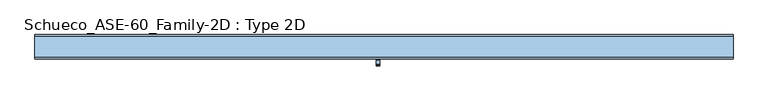
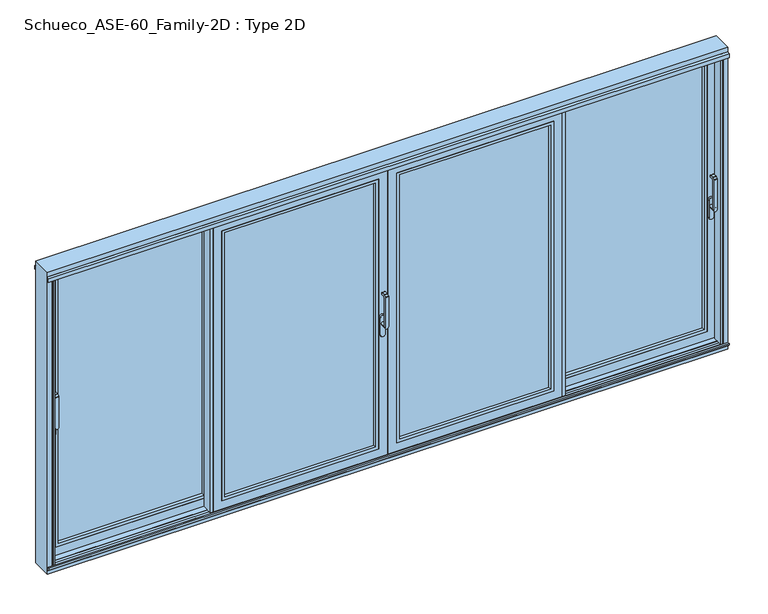
"""IFC4 building model written with IfcOpenShell, lengths in millimetres: window geometry, Schueco_ASE-60_Family-2D : Type 2D."""

from ifc_helpers import new_model, si_unit, point, frame, frame_2d, origin, origin_with_axes, place, context, project, spatial, polyline, circle_curve, trimmed, segment, composite_curve, outline, extrude, faceted_brep, source, transform, mapped, element, save
from ifc_brep_helpers import plane_surface, cylinder_surface, revolved_surface, advanced_brep


def schueco_ase_60_family_2d_type_2d_c7365fcc(model_context):
    return source(origin(), model_context, "Body", "SolidModel", [
        advanced_brep(
        [(-30.25, -121.9999695, 999.0), (-30.25, -121.9999695, 1224.2360009), (-54.25, -121.9999695, 1224.2360009), (-54.25, -121.9999695, 999.0), (-30.25, -73.9999695, 999.005052), (-54.25, -73.9999695, 999.005052), (-54.25, -109.9999695, 999.005052), (-30.25, -109.9999695, 999.005052), (-54.25, -121.414183, 1225.6502145), (-54.25, -110.6501229, 1236.4142746), (-54.25, -109.2359094, 1237.000061), (-54.25, -81.9999695, 1237.000061), (-54.25, -79.9999695, 1235.000061), (-54.25, -79.9999695, 1224.000061), (-54.25, -81.9999695, 1222.000061), (-54.25, -102.6493095, 1222.000061), (-54.25, -109.9999695, 1214.6494011), (-30.25, -109.9999695, 1214.6494011), (-30.25, -102.6493095, 1222.000061), (-30.25, -81.9999695, 1222.000061), (-30.25, -79.9999695, 1224.000061), (-30.25, -79.9999695, 1235.000061), (-30.25, -81.9999695, 1237.000061), (-30.25, -109.2359094, 1237.000061), (-30.25, -110.6501229, 1236.4142746), (-30.25, -121.414183, 1225.6502145)],
        [
            (0, 1),
            (1, 2),
            (2, 3),
            (3, 0, circle_curve(frame((-42.25, -121.9999695, 999.005052), z_axis=(0.0, -1.0, 0.0), x_axis=(-1.0000000000000009, 0.0, 0.0)), 12.0)),
            (4, 5, circle_curve(frame((-42.25, -73.9999695, 999.005052), z_axis=(0.0, 1.0, 0.0), x_axis=(-1.0000000000000009, 0.0, 0.0)), 12.0)),
            (5, 4, circle_curve(frame((-42.25, -73.9999695, 999.005052), z_axis=(0.0, 1.0, 0.0), x_axis=(-1.0000000000000009, 0.0, 0.0)), 12.0)),
            (3, 6),
            (6, 5),
            (4, 7),
            (7, 0),
            (6, 7, circle_curve(frame((-42.25, -109.9999695, 999.005052), z_axis=(0.0, 1.0, 0.0), x_axis=(-1.0000000000000009, 0.0, 0.0)), 12.0)),
            (2, 8, circle_curve(frame((-54.25, -119.9999695, 1224.2360009), z_axis=(-1.0, 0.0, 0.0), x_axis=(0.0, 0.0, -1.0)), 2.0)),
            (8, 9),
            (9, 10, circle_curve(frame((-54.25, -109.2359094, 1235.000061), z_axis=(-1.0, 0.0, 0.0), x_axis=(0.0, 0.0, -1.0)), 2.0)),
            (10, 11),
            (11, 12, circle_curve(frame((-54.25, -81.9999695, 1235.000061), z_axis=(-1.0, 0.0, 0.0), x_axis=(0.0, 0.0, -1.0)), 2.0)),
            (12, 13),
            (13, 14, circle_curve(frame((-54.25, -81.9999695, 1224.000061), z_axis=(-1.0, 0.0, 0.0), x_axis=(0.0, 0.0, -1.0)), 2.0)),
            (14, 15),
            (15, 16, circle_curve(frame((-54.25, -102.6493095, 1214.6494011), z_axis=(1.0, 0.0, 0.0), x_axis=(0.0, 0.0, -1.0)), 7.35066)),
            (16, 6),
            (7, 17),
            (17, 18, circle_curve(frame((-30.25, -102.6493095, 1214.6494011), z_axis=(-1.0, 0.0, 0.0), x_axis=(0.0, 0.0, -1.0)), 7.35066)),
            (18, 19),
            (19, 20, circle_curve(frame((-30.25, -81.9999695, 1224.000061), z_axis=(1.0, 0.0, 0.0), x_axis=(0.0, 0.0, -1.0)), 2.0)),
            (20, 21),
            (21, 22, circle_curve(frame((-30.25, -81.9999695, 1235.000061), z_axis=(1.0, 0.0, 0.0), x_axis=(0.0, 0.0, -1.0)), 2.0)),
            (22, 23),
            (23, 24, circle_curve(frame((-30.25, -109.2359094, 1235.000061), z_axis=(1.0, 0.0, 0.0), x_axis=(0.0, 0.0, -1.0)), 2.0)),
            (24, 25),
            (25, 1, circle_curve(frame((-30.25, -119.9999695, 1224.2360009), z_axis=(1.0, 0.0, 0.0), x_axis=(0.0, 0.0, -1.0)), 2.0)),
            (16, 17),
            (15, 18),
            (14, 19),
            (13, 20),
            (12, 21),
            (11, 22),
            (10, 23),
            (9, 24),
            (8, 25),
        ],
        [
            plane_surface(frame((-54.25, -121.9999695, 999.005052), z_axis=(0.0, -1.0, 0.0), x_axis=(0.0, 0.0, 1.0))),
            plane_surface(frame((-54.25, -73.9999695, 999.005052), z_axis=(0.0, 1.0, 0.0), x_axis=(0.0, 0.0, -1.0))),
            cylinder_surface(frame((-42.25, -73.9999695, 999.005052), z_axis=(0.0, -1.0000000000000009, 0.0), x_axis=(-1.0000000000000009, 0.0, 0.0)), 12.0),
            plane_surface(frame((-54.25, -121.9999695, 1004.7503433), z_axis=(-1.0, 0.0, 0.0), x_axis=(0.0, 0.0, -1.0))),
            plane_surface(frame((-30.25, -121.9999695, 1004.7503433), z_axis=(1.0, 0.0, 0.0), x_axis=(0.0, 0.0, 1.0))),
            plane_surface(frame((-54.25, -109.9999695, 999.0), z_axis=(0.0, 1.0, 0.0), x_axis=(1.0, 0.0, 0.0))),
            revolved_surface(polyline([(-30.25, -102.6493095, 1207.2987411), (-54.25000000000004, -102.6493095, 1207.2987411)]), (-30.25, -102.6493095, 1214.6494011), (1.0000000000000009, 0.0, 0.0)),
            plane_surface(frame((-54.25, -102.6493095, 1222.000061), z_axis=(0.0, 0.0, -1.0), x_axis=(1.0, 0.0, 0.0))),
            cylinder_surface(frame((-30.25, -81.9999695, 1224.000061), z_axis=(-1.0000000000000009, 0.0, 0.0), x_axis=(0.0, 0.0, -1.0)), 2.0),
            plane_surface(frame((-54.25, -79.9999695, 1224.000061), z_axis=(0.0, 1.0, 0.0), x_axis=(1.0, 0.0, 0.0))),
            cylinder_surface(frame((-30.25, -81.9999695, 1235.000061), z_axis=(-1.0000000000000009, 0.0, 0.0), x_axis=(0.0, 0.0, -1.0)), 2.0),
            plane_surface(frame((-54.25, -81.9999695, 1237.000061), z_axis=(0.0, 0.0, 1.0), x_axis=(1.0, 0.0, 0.0))),
            cylinder_surface(frame((-30.25, -109.2359094, 1235.000061), z_axis=(-1.0000000000000009, 0.0, 0.0), x_axis=(0.0, 0.0, -1.0)), 2.0),
            plane_surface(frame((-54.25, -110.6501229, 1236.4142746), z_axis=(0.0, -0.7071067811865419, 0.7071067811865531), x_axis=(1.0, 0.0, 0.0))),
            cylinder_surface(frame((-30.25, -119.9999695, 1224.2360009), z_axis=(-1.0000000000000009, 0.0, 0.0), x_axis=(0.0, 0.0, -1.0)), 2.0),
        ],
        [
            (0, [[1, 2, 3, 4]]),
            (1, [[5, 6]]),
            (2, [[7, 8, -5, 9, 10, -4]]),
            (2, [[-8, 11, -9, -6]]),
            (3, [[12, 13, 14, 15, 16, 17, 18, 19, 20, 21, -7, -3]]),
            (4, [[-1, -10, 22, 23, 24, 25, 26, 27, 28, 29, 30, 31]]),
            (5, [[32, -22, -11, -21]]),
            (6, [[33, -23, -32, -20]]),
            (7, [[34, -24, -33, -19]]),
            (8, [[35, -25, -34, -18]]),
            (9, [[36, -26, -35, -17]]),
            (10, [[37, -27, -36, -16]]),
            (11, [[38, -28, -37, -15]]),
            (12, [[39, -29, -38, -14]]),
            (13, [[40, -30, -39, -13]]),
            (14, [[-2, -31, -40, -12]]),
        ],
    ),
        extrude(outline(composite_curve([segment(polyline([(917.2823932, -25.5), (1044.0099288, -25.5)]), True, "CONTINUOUS"), segment(trimmed(circle_curve(frame_2d((1044.0099288, -42.25)), 16.75), [point((1044.0099288, -25.5))], [point((1044.0099288, -59.0))], False, "CARTESIAN"), True, "CONTINUOUS"), segment(polyline([(1044.0099288, -59.0), (917.2823932, -59.0)]), True, "CONTINUOUS"), segment(trimmed(circle_curve(frame_2d((917.2823932, -42.25)), 16.75), [point((917.2823932, -59.0))], [point((917.2823932, -25.5))], False, "CARTESIAN"), True, "CONTINUOUS")], self_intersect=False)), frame((0.0, -73.9999695, 0.0), z_axis=(0.0, 1.0, 0.0), x_axis=(0.0, 0.0, 1.0)), (0.0, 0.0, 1.0), 13.9999695),
        extrude(outline(polyline([(-1194.9983764, 15.9999745), (-1194.9983764, -2.55e-05), (-1242.1999044, -2.55e-05), (-1242.1999044, -54.5), (-1226.0, -54.5), (-1226.0, -60.0), (-1245.9999695, -60.0), (-1245.9999695, 15.9999745), (-1194.9983764, 15.9999745)])), frame((0.0, 0.0, 4.0), z_axis=(0.0, 0.0, 1.0), x_axis=(1.0, 0.0, 0.0)), (0.0, 0.0, 1.0), 2127.0),
        extrude(outline(polyline([(2071.0, -64.0), (2071.0, -1166.0), (64.0, -1166.0), (64.0, -64.0), (2071.0, -64.0)]), holes=[polyline([(2048.987351, -1143.987351), (2048.987351, -86.012649), (86.012649, -86.012649), (86.012649, -1143.987351), (2048.987351, -1143.987351)])]), frame((0.0, -60.0, 0.0), z_axis=(0.0, 1.0, 0.0), x_axis=(0.0, 0.0, 1.0)), (0.0, 0.0, 1.0), 22.9999656),
        extrude(outline(polyline([(-64.0, -11.0000344), (-64.0, -37.0000344), (-1166.0, -37.0000344), (-1166.0, -11.0000344), (-64.0, -11.0000344)])), frame((0.0, 0.0, 64.0), z_axis=(0.0, 0.0, 1.0), x_axis=(1.0, 0.0, 0.0)), (0.0, 0.0, 1.0), 2007.0),
        faceted_brep([(-1144.0, -11.0000344, 2049.0), (-1144.0, -11.0000344, 86.0), (-1144.0, -2.55e-05, 86.0), (-1144.0, -2.55e-05, 2049.0), (-1226.0017184, -2.55e-05, 2131.0017184), (-3.9982816, -2.55e-05, 2131.0017184), (-3.9982816, -2.55e-05, 3.9982816), (-1226.0017184, -2.55e-05, 3.9982816), (-86.0, -2.55e-05, 2049.0), (-86.0, -2.55e-05, 86.0), (-86.0, -11.0000344, 86.0), (-64.0, -11.0000344, 2071.0), (-1166.0, -11.0000344, 2071.0), (-1166.0, -11.0000344, 64.0), (-64.0, -11.0000344, 64.0), (-86.0, -11.0000344, 2049.0), (-1166.0, -60.0, 2071.0), (-1166.0, -60.0, 64.0), (-64.0, -60.0, 64.0), (-4.0, -60.0, 2131.0), (-1226.0, -60.0, 2131.0), (-1226.0, -60.0, 4.0), (-4.0, -60.0, 4.0), (-64.0, -60.0, 2071.0), (-1226.0, -54.5, 2131.0), (-1226.0, -54.5, 4.0), (-4.0, -54.5, 4.0), (-4.0, -54.5, 2131.0), (-34.0, -54.5, 2101.0), (-1196.0, -54.5, 2101.0), (-1196.0, -54.5, 34.0), (-34.0, -54.5, 34.0), (-1196.0, -5.4999923, 2101.0), (-1196.0, -5.4999923, 34.0), (-34.0, -5.4999923, 34.0), (-3.9982816, -5.4999923, 2131.0017184), (-1226.0017184, -5.4999923, 2131.0017184), (-1226.0017184, -5.4999923, 3.9982816), (-3.9982816, -5.4999923, 3.9982816), (-34.0, -5.4999923, 2101.0)], [[[0, 1, 2, 3]], [[4, 5, 6, 7], [8, 3, 2, 9]], [[1, 10, 9, 2]], [[11, 12, 13, 14], [0, 15, 10, 1]], [[16, 17, 13, 12]], [[17, 18, 14, 13]], [[19, 20, 21, 22], [16, 23, 18, 17]], [[24, 25, 21, 20]], [[25, 26, 22, 21]], [[24, 27, 26, 25], [28, 29, 30, 31]], [[32, 33, 30, 29]], [[33, 34, 31, 30]], [[35, 36, 37, 38], [32, 39, 34, 33]], [[4, 7, 37, 36]], [[7, 6, 38, 37]], [[10, 15, 8, 9]], [[18, 23, 11, 14]], [[26, 27, 19, 22]], [[34, 39, 28, 31]], [[6, 5, 35, 38]], [[15, 0, 3, 8]], [[23, 16, 12, 11]], [[27, 24, 20, 19]], [[39, 32, 29, 28]], [[5, 4, 36, 35]]]),
        extrude(outline(polyline([(-12.2016228, -54.5), (-12.2016228, -5.5000255), (34.0, -5.5000255), (34.0, -54.5), (-12.2016228, -54.5)])), frame((0.0, 0.0, 34.0), z_axis=(0.0, 0.0, 1.0), x_axis=(1.0, 0.0, 0.0)), (0.0, 0.0, 1.0), 2067.0),
        extrude(outline(polyline([(1194.9983764, 15.9999745), (1245.9999695, 15.9999745), (1245.9999695, -60.0), (1226.0, -60.0), (1226.0, -54.5), (1242.1999044, -54.5), (1242.1999044, -2.55e-05), (1194.9983764, -2.55e-05), (1194.9983764, 15.9999745)])), frame((0.0, 0.0, 4.0), z_axis=(0.0, 0.0, 1.0), x_axis=(1.0, 0.0, 0.0)), (0.0, 0.0, 1.0), 2127.0),
        extrude(outline(polyline([(2071.0, 64.0), (64.0, 64.0), (64.0, 1166.0), (2071.0, 1166.0), (2071.0, 64.0)]), holes=[polyline([(2048.987351, 1143.987351), (86.012649, 1143.987351), (86.012649, 86.012649), (2048.987351, 86.012649), (2048.987351, 1143.987351)])]), frame((0.0, -60.0, 0.0), z_axis=(0.0, 1.0, 0.0), x_axis=(0.0, 0.0, 1.0)), (0.0, 0.0, 1.0), 22.9999656),
        extrude(outline(polyline([(64.0, -11.0000344), (1166.0, -11.0000344), (1166.0, -37.0000344), (64.0, -37.0000344), (64.0, -11.0000344)])), frame((0.0, 0.0, 64.0), z_axis=(0.0, 0.0, 1.0), x_axis=(1.0, 0.0, 0.0)), (0.0, 0.0, 1.0), 2007.0),
        faceted_brep([(1144.0, -11.0000344, 2049.0), (1144.0, -2.55e-05, 2049.0), (1144.0, -2.55e-05, 86.0), (1144.0, -11.0000344, 86.0), (1226.0017184, -2.55e-05, 2131.0017184), (1226.0017184, -2.55e-05, 3.9982816), (3.9982816, -2.55e-05, 3.9982816), (3.9982816, -2.55e-05, 2131.0017184), (86.0, -2.55e-05, 2049.0), (86.0, -2.55e-05, 86.0), (86.0, -11.0000344, 86.0), (64.0, -11.0000344, 2071.0), (64.0, -11.0000344, 64.0), (1166.0, -11.0000344, 64.0), (1166.0, -11.0000344, 2071.0), (86.0, -11.0000344, 2049.0), (1166.0, -60.0, 2071.0), (1166.0, -60.0, 64.0), (64.0, -60.0, 64.0), (4.0, -60.0, 2131.0), (4.0, -60.0, 4.0), (1226.0, -60.0, 4.0), (1226.0, -60.0, 2131.0), (64.0, -60.0, 2071.0), (1226.0, -54.5, 2131.0), (1226.0, -54.5, 4.0), (4.0, -54.5, 4.0), (4.0, -54.5, 2131.0), (34.0, -54.5, 2101.0), (34.0, -54.5, 34.0), (1196.0, -54.5, 34.0), (1196.0, -54.5, 2101.0), (1196.0, -5.4999923, 2101.0), (1196.0, -5.4999923, 34.0), (34.0, -5.4999923, 34.0), (3.9982816, -5.4999923, 2131.0017184), (3.9982816, -5.4999923, 3.9982816), (1226.0017184, -5.4999923, 3.9982816), (1226.0017184, -5.4999923, 2131.0017184), (34.0, -5.4999923, 2101.0)], [[[0, 1, 2, 3]], [[4, 5, 6, 7], [8, 9, 2, 1]], [[3, 2, 9, 10]], [[11, 12, 13, 14], [0, 3, 10, 15]], [[16, 14, 13, 17]], [[17, 13, 12, 18]], [[19, 20, 21, 22], [16, 17, 18, 23]], [[24, 22, 21, 25]], [[25, 21, 20, 26]], [[24, 25, 26, 27], [28, 29, 30, 31]], [[32, 31, 30, 33]], [[33, 30, 29, 34]], [[35, 36, 37, 38], [32, 33, 34, 39]], [[4, 38, 37, 5]], [[5, 37, 36, 6]], [[10, 9, 8, 15]], [[18, 12, 11, 23]], [[26, 20, 19, 27]], [[34, 29, 28, 39]], [[6, 36, 35, 7]], [[15, 8, 1, 0]], [[23, 11, 14, 16]], [[27, 19, 22, 24]], [[39, 28, 31, 32]], [[7, 35, 38, 4]]]),
        advanced_brep(
        [(2299.75, -29.999944, 1214.6494011), (2323.75, -29.999944, 1214.6494011), (2323.75, -29.999944, 999.0), (2299.75, -29.999944, 999.005052), (2323.75, 6.000056, 999.005052), (2299.75, 6.000056, 999.005052), (2299.75, -41.4141576, 1225.6502145), (2323.75, -41.4141576, 1225.6502145), (2323.75, -30.6500975, 1236.4142746), (2299.75, -30.6500975, 1236.4142746), (2323.75, -41.999944, 999.0), (2323.75, -41.999944, 1224.2360009), (2299.75, -41.999944, 1224.2360009), (2299.75, -41.999944, 999.0), (2299.75, -29.2358839, 1237.000061), (2299.75, -1.999944, 1237.000061), (2299.75, 5.6e-05, 1235.000061), (2299.75, 5.6e-05, 1224.000061), (2299.75, -1.999944, 1222.000061), (2299.75, -22.649284, 1222.000061), (2323.75, -22.649284, 1222.000061), (2323.75, -1.999944, 1222.000061), (2323.75, 5.6e-05, 1224.000061), (2323.75, 5.6e-05, 1235.000061), (2323.75, -1.999944, 1237.000061), (2323.75, -29.2358839, 1237.000061)],
        [
            (0, 1),
            (1, 2),
            (2, 3, circle_curve(frame((2311.75, -29.999944, 999.005052), z_axis=(0.0, -1.0, 0.0), x_axis=(-1.0, 0.0, 0.0)), 12.0)),
            (3, 0),
            (4, 5, circle_curve(frame((2311.75, 6.000056, 999.005052), z_axis=(0.0, 1.0, 0.0), x_axis=(-1.0, 0.0, 0.0)), 12.0)),
            (5, 4, circle_curve(frame((2311.75, 6.000056, 999.005052), z_axis=(0.0, 1.0, 0.0), x_axis=(-1.0, 0.0, 0.0)), 12.0)),
            (6, 7),
            (7, 8),
            (8, 9),
            (9, 6),
            (10, 11),
            (11, 12),
            (12, 13),
            (13, 10, circle_curve(frame((2311.75, -41.999944, 999.005052), z_axis=(0.0, -1.0, 0.0), x_axis=(-1.0, 0.0, 0.0)), 12.0)),
            (13, 3),
            (3, 5),
            (4, 2),
            (2, 10),
            (12, 6, circle_curve(frame((2299.75, -39.999944, 1224.2360009), z_axis=(-1.0, 0.0, 0.0), x_axis=(0.0, 0.0, -1.0)), 2.0)),
            (9, 14, circle_curve(frame((2299.75, -29.2358839, 1235.000061), z_axis=(-1.0, 0.0, 0.0), x_axis=(0.0, 0.0, -1.0)), 2.0)),
            (14, 15),
            (15, 16, circle_curve(frame((2299.75, -1.999944, 1235.000061), z_axis=(-1.0, 0.0, 0.0), x_axis=(0.0, 0.0, -1.0)), 2.0)),
            (16, 17),
            (17, 18, circle_curve(frame((2299.75, -1.999944, 1224.000061), z_axis=(-1.0, 0.0, 0.0), x_axis=(0.0, 0.0, -1.0)), 2.0)),
            (18, 19),
            (19, 0, circle_curve(frame((2299.75, -22.649284, 1214.6494011), z_axis=(1.0, 0.0, 0.0), x_axis=(0.0, 0.0, -1.0)), 7.35066)),
            (1, 20, circle_curve(frame((2323.75, -22.649284, 1214.6494011), z_axis=(-1.0, 0.0, 0.0), x_axis=(0.0, 0.0, -1.0)), 7.35066)),
            (20, 21),
            (21, 22, circle_curve(frame((2323.75, -1.999944, 1224.000061), z_axis=(1.0, 0.0, 0.0), x_axis=(0.0, 0.0, -1.0)), 2.0)),
            (22, 23),
            (23, 24, circle_curve(frame((2323.75, -1.999944, 1235.000061), z_axis=(1.0, 0.0, 0.0), x_axis=(0.0, 0.0, -1.0)), 2.0)),
            (24, 25),
            (25, 8, circle_curve(frame((2323.75, -29.2358839, 1235.000061), z_axis=(1.0, 0.0, 0.0), x_axis=(0.0, 0.0, -1.0)), 2.0)),
            (7, 11, circle_curve(frame((2323.75, -39.999944, 1224.2360009), z_axis=(1.0, 0.0, 0.0), x_axis=(0.0, 0.0, -1.0)), 2.0)),
            (19, 20),
            (18, 21),
            (17, 22),
            (16, 23),
            (15, 24),
            (14, 25),
        ],
        [
            plane_surface(frame((2299.75, -29.999944, 999.0), z_axis=(0.0, 1.0, 0.0), x_axis=(1.0, 0.0, 0.0))),
            plane_surface(frame((2299.75, 6.000056, 999.005052), z_axis=(0.0, 1.0, 0.0), x_axis=(0.0, 0.0, -1.0))),
            plane_surface(frame((2299.75, -30.6500975, 1236.4142746), z_axis=(0.0, -0.7071067811865422, 0.7071067811865528), x_axis=(1.0, 0.0, 0.0))),
            plane_surface(frame((2299.75, -41.999944, 999.005052), z_axis=(0.0, -1.0, 0.0), x_axis=(0.0, 0.0, 1.0))),
            cylinder_surface(frame((2311.75, 6.000056, 999.005052), z_axis=(0.0, -1.0, 0.0), x_axis=(-1.0, 0.0, 0.0)), 12.0),
            plane_surface(frame((2299.75, -41.999944, 1004.7503433), z_axis=(-1.0, 0.0, 0.0), x_axis=(0.0, 0.0, -1.0))),
            plane_surface(frame((2323.75, -41.999944, 1004.7503433), z_axis=(1.0, 0.0, 0.0), x_axis=(0.0, 0.0, 1.0))),
            revolved_surface(polyline([(2323.75, -22.649284, 1207.2987411), (2299.75, -22.649284, 1207.2987411)]), (2323.75, -22.649284, 1214.6494011), (1.0, 0.0, 0.0)),
            plane_surface(frame((2299.75, -22.649284, 1222.000061), z_axis=(0.0, 0.0, -1.0), x_axis=(1.0, 0.0, 0.0))),
            cylinder_surface(frame((2323.75, -1.999944, 1224.000061), z_axis=(-1.0, 0.0, 0.0), x_axis=(0.0, 0.0, -1.0)), 2.0),
            plane_surface(frame((2299.75, 5.6e-05, 1224.000061), z_axis=(0.0, 1.0, 0.0), x_axis=(1.0, 0.0, 0.0))),
            cylinder_surface(frame((2323.75, -1.999944, 1235.000061), z_axis=(-1.0, 0.0, 0.0), x_axis=(0.0, 0.0, -1.0)), 2.0),
            plane_surface(frame((2299.75, -1.999944, 1237.000061), z_axis=(0.0, 0.0, 1.0), x_axis=(1.0, 0.0, 0.0))),
            cylinder_surface(frame((2323.75, -29.2358839, 1235.000061), z_axis=(-1.0, 0.0, 0.0), x_axis=(0.0, 0.0, -1.0)), 2.0),
            cylinder_surface(frame((2323.75, -39.999944, 1224.2360009), z_axis=(-1.0, 0.0, 0.0), x_axis=(0.0, 0.0, -1.0)), 2.0),
        ],
        [
            (0, [[1, 2, 3, 4]]),
            (1, [[5, 6]]),
            (2, [[7, 8, 9, 10]]),
            (3, [[11, 12, 13, 14]]),
            (4, [[15, 16, -5, 17, 18, -14]]),
            (4, [[-16, -3, -17, -6]]),
            (5, [[19, -10, 20, 21, 22, 23, 24, 25, 26, -4, -15, -13]]),
            (6, [[-11, -18, -2, 27, 28, 29, 30, 31, 32, 33, -8, 34]]),
            (7, [[35, -27, -1, -26]]),
            (8, [[36, -28, -35, -25]]),
            (9, [[37, -29, -36, -24]]),
            (10, [[38, -30, -37, -23]]),
            (11, [[39, -31, -38, -22]]),
            (12, [[40, -32, -39, -21]]),
            (13, [[-9, -33, -40, -20]]),
            (14, [[-12, -34, -7, -19]]),
        ],
    ),
        extrude(outline(composite_curve([segment(polyline([(917.2823932, 2328.5), (1044.0099288, 2328.5)]), True, "CONTINUOUS"), segment(trimmed(circle_curve(frame_2d((1044.0099288, 2311.75)), 16.75), [point((1044.0099288, 2328.5))], [point((1044.0099288, 2295.0))], False, "CARTESIAN"), True, "CONTINUOUS"), segment(polyline([(1044.0099288, 2295.0), (917.2823932, 2295.0)]), True, "CONTINUOUS"), segment(trimmed(circle_curve(frame_2d((917.2823932, 2311.75)), 16.75), [point((917.2823932, 2295.0))], [point((917.2823932, 2328.5))], False, "CARTESIAN"), True, "CONTINUOUS")], self_intersect=False)), frame((0.0, 6.000056, 0.0), z_axis=(0.0, 1.0, 0.0), x_axis=(0.0, 0.0, 1.0)), (0.0, 0.0, 1.0), 13.9999695),
        extrude(outline(polyline([(1143.9983121, 80.0), (1163.9982816, 80.0), (1163.9982816, 74.5), (1147.7983772, 74.5), (1147.7983772, 20.0000255), (1194.9999052, 20.0000255), (1194.9999052, 4.0000255), (1143.9983121, 4.0000255), (1143.9983121, 80.0)])), frame((0.0, 0.0, 3.9982816), z_axis=(0.0, 0.0, 1.0), x_axis=(1.0, 0.0, 0.0)), (0.0, 0.0, 1.0), 2127.0034368),
        extrude(outline(polyline([(2071.0, 2290.0), (2071.0, 1224.0), (64.0, 1224.0), (64.0, 2290.0), (2071.0, 2290.0)]), holes=[polyline([(2048.987351, 1246.012649), (2048.987351, 2267.987351), (86.012649, 2267.987351), (86.012649, 1246.012649), (2048.987351, 1246.012649)])]), frame((0.0, 20.0000255, 0.0), z_axis=(0.0, 1.0, 0.0), x_axis=(0.0, 0.0, 1.0)), (0.0, 0.0, 1.0), 22.9999656),
        extrude(outline(polyline([(2290.0, 68.9999911), (2290.0, 42.9999911), (1224.0, 42.9999911), (1224.0, 68.9999911), (2290.0, 68.9999911)])), frame((0.0, 0.0, 64.0), z_axis=(0.0, 0.0, 1.0), x_axis=(1.0, 0.0, 0.0)), (0.0, 0.0, 1.0), 2007.0),
        faceted_brep([(2350.0, 25.5000255, 2131.0), (1164.0, 25.5000255, 2131.0), (1164.0, 20.0000255, 2131.0), (2350.0, 20.0000255, 2131.0), (1246.0, 68.9999911, 2049.0), (1246.0, 68.9999911, 86.0), (1246.0, 80.0, 86.0), (1246.0, 80.0, 2049.0), (1163.9982816, 80.0, 2131.0017184), (2350.0017184, 80.0, 2131.0017184), (2350.0017184, 80.0, 3.9982816), (1163.9982816, 80.0, 3.9982816), (2268.0, 80.0, 2049.0), (2268.0, 80.0, 86.0), (2268.0, 68.9999911, 86.0), (2290.0, 68.9999911, 2071.0), (1224.0, 68.9999911, 2071.0), (1224.0, 68.9999911, 64.0), (2290.0, 68.9999911, 64.0), (2268.0, 68.9999911, 2049.0), (1224.0, 20.0000255, 2071.0), (1224.0, 20.0000255, 64.0), (2290.0, 20.0000255, 64.0), (1164.0, 20.0000255, 4.0), (2350.0, 20.0000255, 4.0), (2290.0, 20.0000255, 2071.0), (1164.0, 25.5000255, 4.0), (2350.0, 25.5000255, 4.0), (2320.0, 25.5000255, 2101.0), (1194.0, 25.5000255, 2101.0), (1194.0, 25.5000255, 34.0), (2320.0, 25.5000255, 34.0), (1194.0, 74.5000332, 2101.0), (1194.0, 74.5000332, 34.0), (2350.0017184, 74.5000332, 2131.0017184), (1163.9982816, 74.5000332, 2131.0017184), (1163.9982816, 74.5000332, 3.9982816), (2350.0017184, 74.5000332, 3.9982816), (2320.0, 74.5000332, 2101.0), (2320.0, 74.5000332, 34.0)], [[[0, 1, 2, 3]], [[4, 5, 6, 7]], [[8, 9, 10, 11], [12, 7, 6, 13]], [[5, 14, 13, 6]], [[15, 16, 17, 18], [4, 19, 14, 5]], [[20, 21, 17, 16]], [[21, 22, 18, 17]], [[3, 2, 23, 24], [20, 25, 22, 21]], [[1, 26, 23, 2]], [[26, 27, 24, 23]], [[1, 0, 27, 26], [28, 29, 30, 31]], [[32, 33, 30, 29]], [[34, 35, 36, 37], [32, 38, 39, 33]], [[8, 11, 36, 35]], [[27, 0, 3, 24]], [[19, 4, 7, 12]], [[25, 20, 16, 15]], [[33, 39, 31, 30]], [[11, 10, 37, 36]], [[14, 19, 12, 13]], [[22, 25, 15, 18]], [[39, 38, 28, 31]], [[10, 9, 34, 37]], [[38, 32, 29, 28]], [[9, 8, 35, 34]]]),
        advanced_brep(
        [(-2299.75, -29.999944, 1214.6494011), (-2299.75, -29.999944, 999.0), (-2323.75, -29.999944, 999.005052), (-2323.75, -29.999944, 1214.6494011), (-2323.75, 6.000056, 999.005052), (-2299.75, 6.000056, 999.005052), (-2299.75, -41.4141576, 1225.6502145), (-2299.75, -30.6500975, 1236.4142746), (-2323.75, -30.6500975, 1236.4142746), (-2323.75, -41.4141576, 1225.6502145), (-2323.75, -41.999944, 999.005052), (-2299.75, -41.999944, 999.005052), (-2299.75, -41.999944, 1224.2360009), (-2323.75, -41.999944, 1224.2360009), (-2299.75, -22.649284, 1222.000061), (-2299.75, -1.999944, 1222.000061), (-2299.75, 5.6e-05, 1224.000061), (-2299.75, 5.6e-05, 1235.000061), (-2299.75, -1.999944, 1237.000061), (-2299.75, -29.2358839, 1237.000061), (-2323.75, -29.2358839, 1237.000061), (-2323.75, -1.999944, 1237.000061), (-2323.75, 5.6e-05, 1235.000061), (-2323.75, 5.6e-05, 1224.000061), (-2323.75, -1.999944, 1222.000061), (-2323.75, -22.649284, 1222.000061)],
        [
            (0, 1),
            (1, 2, circle_curve(frame((-2311.75, -29.999944, 999.005052), z_axis=(0.0, -1.0, 0.0), x_axis=(1.0, 0.0, 0.0)), 12.0)),
            (2, 3),
            (3, 0),
            (4, 5, circle_curve(frame((-2311.75, 6.000056, 999.005052), z_axis=(0.0, 1.0, 0.0), x_axis=(1.0, 0.0, 0.0)), 12.0)),
            (5, 4, circle_curve(frame((-2311.75, 6.000056, 999.005052), z_axis=(0.0, 1.0, 0.0), x_axis=(1.0, 0.0, 0.0)), 12.0)),
            (6, 7),
            (7, 8),
            (8, 9),
            (9, 6),
            (10, 11, circle_curve(frame((-2311.75, -41.999944, 999.005052), z_axis=(0.0, -1.0, 0.0), x_axis=(1.0, 0.0, 0.0)), 12.0)),
            (11, 12),
            (12, 13),
            (13, 10),
            (10, 2),
            (2, 4),
            (5, 1),
            (1, 11),
            (0, 14, circle_curve(frame((-2299.75, -22.649284, 1214.6494011), z_axis=(-1.0, 0.0, 0.0), x_axis=(0.0, 0.0, -1.0)), 7.35066)),
            (14, 15),
            (15, 16, circle_curve(frame((-2299.75, -1.999944, 1224.000061), z_axis=(1.0, 0.0, 0.0), x_axis=(0.0, 0.0, -1.0)), 2.0)),
            (16, 17),
            (17, 18, circle_curve(frame((-2299.75, -1.999944, 1235.000061), z_axis=(1.0, 0.0, 0.0), x_axis=(0.0, 0.0, -1.0)), 2.0)),
            (18, 19),
            (19, 7, circle_curve(frame((-2299.75, -29.2358839, 1235.000061), z_axis=(1.0, 0.0, 0.0), x_axis=(0.0, 0.0, -1.0)), 2.0)),
            (6, 12, circle_curve(frame((-2299.75, -39.999944, 1224.2360009), z_axis=(1.0, 0.0, 0.0), x_axis=(0.0, 0.0, -1.0)), 2.0)),
            (13, 9, circle_curve(frame((-2323.75, -39.999944, 1224.2360009), z_axis=(-1.0, 0.0, 0.0), x_axis=(0.0, 0.0, -1.0)), 2.0)),
            (8, 20, circle_curve(frame((-2323.75, -29.2358839, 1235.000061), z_axis=(-1.0, 0.0, 0.0), x_axis=(0.0, 0.0, -1.0)), 2.0)),
            (20, 21),
            (21, 22, circle_curve(frame((-2323.75, -1.999944, 1235.000061), z_axis=(-1.0, 0.0, 0.0), x_axis=(0.0, 0.0, -1.0)), 2.0)),
            (22, 23),
            (23, 24, circle_curve(frame((-2323.75, -1.999944, 1224.000061), z_axis=(-1.0, 0.0, 0.0), x_axis=(0.0, 0.0, -1.0)), 2.0)),
            (24, 25),
            (25, 3, circle_curve(frame((-2323.75, -22.649284, 1214.6494011), z_axis=(1.0, 0.0, 0.0), x_axis=(0.0, 0.0, -1.0)), 7.35066)),
            (25, 14),
            (24, 15),
            (23, 16),
            (22, 17),
            (21, 18),
            (20, 19),
        ],
        [
            plane_surface(frame((-2299.75, -29.999944, 999.0), z_axis=(0.0, 1.0, 0.0), x_axis=(-1.0, 0.0, 0.0))),
            plane_surface(frame((-2299.75, 6.000056, 999.005052), z_axis=(0.0, 1.0, 0.0), x_axis=(0.0, 0.0, -1.0))),
            plane_surface(frame((-2299.75, -30.6500975, 1236.4142746), z_axis=(0.0, -0.7071067811865422, 0.7071067811865528), x_axis=(-1.0, 0.0, 0.0))),
            plane_surface(frame((-2299.75, -41.999944, 999.005052), z_axis=(0.0, -1.0, 0.0), x_axis=(0.0, 0.0, 1.0))),
            cylinder_surface(frame((-2311.75, 6.000056, 999.005052), z_axis=(0.0, -1.0, 0.0), x_axis=(1.0, 0.0, 0.0)), 12.0),
            plane_surface(frame((-2299.75, -41.999944, 1004.7503433), z_axis=(1.0, 0.0, 0.0), x_axis=(0.0, 0.0, -1.0))),
            plane_surface(frame((-2323.75, -41.999944, 1004.7503433), z_axis=(-1.0, 0.0, 0.0), x_axis=(0.0, 0.0, 1.0))),
            revolved_surface(polyline([(-2323.75, -22.649284, 1207.2987411), (-2299.75, -22.649284, 1207.2987411)]), (-2323.75, -22.649284, 1214.6494011), (-1.0, 0.0, 0.0)),
            plane_surface(frame((-2299.75, -22.649284, 1222.000061), z_axis=(0.0, 0.0, -1.0), x_axis=(-1.0, 0.0, 0.0))),
            cylinder_surface(frame((-2323.75, -1.999944, 1224.000061), z_axis=(1.0, 0.0, 0.0), x_axis=(0.0, 0.0, -1.0)), 2.0),
            plane_surface(frame((-2299.75, 5.6e-05, 1224.000061), z_axis=(0.0, 1.0, 0.0), x_axis=(-1.0, 0.0, 0.0))),
            cylinder_surface(frame((-2323.75, -1.999944, 1235.000061), z_axis=(1.0, 0.0, 0.0), x_axis=(0.0, 0.0, -1.0)), 2.0),
            plane_surface(frame((-2299.75, -1.999944, 1237.000061), z_axis=(0.0, 0.0, 1.0), x_axis=(-1.0, 0.0, 0.0))),
            cylinder_surface(frame((-2323.75, -29.2358839, 1235.000061), z_axis=(1.0, 0.0, 0.0), x_axis=(0.0, 0.0, -1.0)), 2.0),
            cylinder_surface(frame((-2323.75, -39.999944, 1224.2360009), z_axis=(1.0, 0.0, 0.0), x_axis=(0.0, 0.0, -1.0)), 2.0),
        ],
        [
            (0, [[1, 2, 3, 4]]),
            (1, [[5, 6]]),
            (2, [[7, 8, 9, 10]]),
            (3, [[11, 12, 13, 14]]),
            (4, [[-11, 15, 16, -6, 17, 18]]),
            (4, [[-5, -16, -2, -17]]),
            (5, [[-12, -18, -1, 19, 20, 21, 22, 23, 24, 25, -7, 26]]),
            (6, [[27, -9, 28, 29, 30, 31, 32, 33, 34, -3, -15, -14]]),
            (7, [[-19, -4, -34, 35]]),
            (8, [[-20, -35, -33, 36]]),
            (9, [[-21, -36, -32, 37]]),
            (10, [[-22, -37, -31, 38]]),
            (11, [[-23, -38, -30, 39]]),
            (12, [[-24, -39, -29, 40]]),
            (13, [[-25, -40, -28, -8]]),
            (14, [[-26, -10, -27, -13]]),
        ],
    ),
        extrude(outline(composite_curve([segment(trimmed(circle_curve(frame_2d((917.2823932, -2311.75)), 16.75), [point((917.2823932, -2328.5))], [point((917.2823932, -2295.0))], False, "CARTESIAN"), True, "CONTINUOUS"), segment(polyline([(917.2823932, -2295.0), (1044.0099288, -2295.0)]), True, "CONTINUOUS"), segment(trimmed(circle_curve(frame_2d((1044.0099288, -2311.75)), 16.75), [point((1044.0099288, -2295.0))], [point((1044.0099288, -2328.5))], False, "CARTESIAN"), True, "CONTINUOUS"), segment(polyline([(1044.0099288, -2328.5), (917.2823932, -2328.5)]), True, "CONTINUOUS")], self_intersect=False)), frame((0.0, 6.000056, 0.0), z_axis=(0.0, 1.0, 0.0), x_axis=(0.0, 0.0, 1.0)), (0.0, 0.0, 1.0), 13.9999695),
        extrude(outline(polyline([(-1143.9983121, 80.0), (-1143.9983121, 4.0000255), (-1194.9999052, 4.0000255), (-1194.9999052, 20.0000255), (-1147.7983772, 20.0000255), (-1147.7983772, 74.5), (-1163.9982816, 74.5), (-1163.9982816, 80.0), (-1143.9983121, 80.0)])), frame((0.0, 0.0, 3.9982816), z_axis=(0.0, 0.0, 1.0), x_axis=(1.0, 0.0, 0.0)), (0.0, 0.0, 1.0), 2127.0034368),
        extrude(outline(polyline([(2071.0, -2290.0), (64.0, -2290.0), (64.0, -1224.0), (2071.0, -1224.0), (2071.0, -2290.0)]), holes=[polyline([(2048.987351, -1246.012649), (86.012649, -1246.012649), (86.012649, -2267.987351), (2048.987351, -2267.987351), (2048.987351, -1246.012649)])]), frame((0.0, 20.0000255, 0.0), z_axis=(0.0, 1.0, 0.0), x_axis=(0.0, 0.0, 1.0)), (0.0, 0.0, 1.0), 22.9999656),
        extrude(outline(polyline([(-2290.0, 68.9999911), (-1224.0, 68.9999911), (-1224.0, 42.9999911), (-2290.0, 42.9999911), (-2290.0, 68.9999911)])), frame((0.0, 0.0, 64.0), z_axis=(0.0, 0.0, 1.0), x_axis=(1.0, 0.0, 0.0)), (0.0, 0.0, 1.0), 2007.0),
        faceted_brep([(-2350.0, 25.5000255, 2131.0), (-2350.0, 20.0000255, 2131.0), (-1164.0, 20.0000255, 2131.0), (-1164.0, 25.5000255, 2131.0), (-1246.0, 68.9999911, 2049.0), (-1246.0, 80.0, 2049.0), (-1246.0, 80.0, 86.0), (-1246.0, 68.9999911, 86.0), (-1163.9982816, 80.0, 2131.0017184), (-1163.9982816, 80.0, 3.9982816), (-2350.0017184, 80.0, 3.9982816), (-2350.0017184, 80.0, 2131.0017184), (-2268.0, 80.0, 2049.0), (-2268.0, 80.0, 86.0), (-2268.0, 68.9999911, 86.0), (-2290.0, 68.9999911, 2071.0), (-2290.0, 68.9999911, 64.0), (-1224.0, 68.9999911, 64.0), (-1224.0, 68.9999911, 2071.0), (-2268.0, 68.9999911, 2049.0), (-1224.0, 20.0000255, 2071.0), (-1224.0, 20.0000255, 64.0), (-2290.0, 20.0000255, 64.0), (-2350.0, 20.0000255, 4.0), (-1164.0, 20.0000255, 4.0), (-2290.0, 20.0000255, 2071.0), (-1164.0, 25.5000255, 4.0), (-2350.0, 25.5000255, 4.0), (-2320.0, 25.5000255, 2101.0), (-2320.0, 25.5000255, 34.0), (-1194.0, 25.5000255, 34.0), (-1194.0, 25.5000255, 2101.0), (-1194.0, 74.5000332, 2101.0), (-1194.0, 74.5000332, 34.0), (-2350.0017184, 74.5000332, 2131.0017184), (-2350.0017184, 74.5000332, 3.9982816), (-1163.9982816, 74.5000332, 3.9982816), (-1163.9982816, 74.5000332, 2131.0017184), (-2320.0, 74.5000332, 34.0), (-2320.0, 74.5000332, 2101.0)], [[[0, 1, 2, 3]], [[4, 5, 6, 7]], [[8, 9, 10, 11], [12, 13, 6, 5]], [[7, 6, 13, 14]], [[15, 16, 17, 18], [4, 7, 14, 19]], [[20, 18, 17, 21]], [[21, 17, 16, 22]], [[1, 23, 24, 2], [20, 21, 22, 25]], [[3, 2, 24, 26]], [[26, 24, 23, 27]], [[3, 26, 27, 0], [28, 29, 30, 31]], [[32, 31, 30, 33]], [[34, 35, 36, 37], [32, 33, 38, 39]], [[8, 37, 36, 9]], [[27, 23, 1, 0]], [[19, 12, 5, 4]], [[25, 15, 18, 20]], [[33, 30, 29, 38]], [[9, 36, 35, 10]], [[14, 13, 12, 19]], [[22, 16, 15, 25]], [[38, 29, 28, 39]], [[10, 35, 34, 11]], [[39, 28, 31, 32]], [[11, 34, 37, 8]]]),
        extrude(outline(polyline([(-2339.0, 15.0), (-2339.0, -60.0), (-2350.0, -60.0), (-2350.0, -51.2), (-2342.0, -48.2882381), (-2342.0, 11.0), (-2358.0007202, 11.0), (-2358.0007202, 15.0), (-2339.0, 15.0)])), origin_with_axes(), (0.0, 0.0, 1.0), 2157.5),
        extrude(outline(polyline([(2339.0, 15.0), (2358.0007202, 15.0), (2358.0007202, 11.0), (2342.0, 11.0), (2342.0, -48.2882381), (2350.0, -51.2), (2350.0, -60.0), (2339.0, -60.0), (2339.0, 15.0)])), origin_with_axes(), (0.0, 0.0, 1.0), 2157.5),
        faceted_brep([(2390.0, 80.0, -51.0), (2390.0, -60.0, -51.0), (-2390.0, -60.0, -51.0), (-2390.0, 80.0, -51.0), (2390.0, 80.0, 2190.0), (2390.0, -60.0, 2190.0), (-2390.0, -60.0, 2190.0), (-2358.0, -60.0, -19.0), (-2358.0, -60.0, 2157.5), (2358.0, -60.0, 2157.5), (2358.0, -60.0, -19.0), (-2390.0, 80.0, 2190.0), (-2358.0, -51.2000255, -19.0), (-2358.0, -51.2000255, 2157.5), (2358.0, -51.2000255, 2157.5), (2358.0, -51.2000255, -19.0), (2342.0, -11.7120495, -3.0), (2342.0, -48.2882636, -3.0), (2342.0, -48.2882636, 2122.0), (2342.0, -11.7120495, 2122.0), (2342.0, -11.7120495, 2155.2007202), (2342.0, -11.7120495, 2130.9120495), (2342.0, -15.8, 2135.0), (2342.0, -15.8, 2155.2007202), (2342.0, -48.2882636, 2130.9117364), (2342.0, -48.2882636, 2142.0), (2342.0, -44.2, 2142.0), (2342.0, -44.2, 2135.0), (-2342.0, -11.7120243, -3.0), (-2342.0, -48.2882384, -3.0), (2350.0, -51.2000255, -11.00007), (2350.0, -51.2000255, 2150.0), (2346.7029571, -50.0, 2129.2), (2346.7029571, -50.0, 2122.0), (2350.0007202, -8.8000255, -11.0006502), (2346.7038173, -10.0, 2122.0), (2346.7038173, -10.0, 2129.2), (2350.0007202, -8.8000255, 2155.2007202), (-2350.0, -51.2000255, -11.00007), (-2350.0, -51.2000255, 2150.0), (-2341.9999997, -48.2882635, 2122.0), (-2346.7029571, -50.0, 2122.0), (-2346.7029571, -50.0, 2129.2), (-2341.9999996, -48.2882635, 2130.9117365), (-2341.9999998, -48.2882635, 2142.0), (-2350.0007202, -8.8000255, -11.0006502), (2358.0007202, -8.8000255, 2155.2007202), (2358.0007202, -8.8000255, -19.0007202), (-2358.0007202, -8.8000255, -19.0007202), (-2358.0007202, -8.8000255, 2155.2007202), (-2350.0007202, -8.8000255, 2155.2007202), (2358.0007202, 28.7999745, -19.0007202), (2358.0007202, 28.7999745, 2155.2007202), (-2358.0007202, 28.7999745, -19.0007202), (-2358.0007202, 28.7999745, 2155.2007202), (-2342.0000001, -11.7120494, 2155.2007202), (-2342.0000002, -11.7120494, 2130.9120494), (-2346.7038173, -10.0, 2129.2), (-2346.7038173, -10.0, 2122.0), (-2342.0000003, -11.7120494, 2122.0), (2350.0007202, 28.7999745, -11.0007902), (-2350.0007202, 28.7999745, -11.0007902), (-2350.0007202, 28.7999745, 2155.2007202), (2350.0007202, 28.7999745, 2155.2007202), (2341.9999672, 31.7120105, -3.0000372), (-2341.9999307, 31.712024, -3.0000001), (-2341.9999979, 31.7119993, 2122.0), (-2346.7036773, 30.0, 2122.0), (-2346.7036773, 30.0, 2129.2), (-2341.9999981, 31.7119992, 2130.9119992), (-2341.9999989, 31.7119989, 2155.2007202), (2342.0, 31.7119985, 2155.2007202), (2342.0, 31.7119985, 2130.9119985), (2346.7036773, 30.0, 2129.2), (2346.7036773, 30.0, 2122.0), (2342.0, 31.7119985, 2122.0), (2342.0, 35.8, 2155.2007202), (2342.0, 35.8, 2135.0), (2342.0, 68.2882381, -3.0), (2342.0, 68.2882381, 2122.0), (2342.0, 68.2882381, 2142.0), (2342.0, 68.2882381, 2130.9117619), (2342.0, 64.2, 2135.0), (2342.0, 64.2, 2142.0), (-2342.0, 68.2882381, -3.0), (2350.0, 71.2, -11.0), (2346.7030271, 70.0, 2122.0), (2346.7030271, 70.0, 2129.2), (2350.0, 71.2, 2150.0), (-2350.0, 71.2, -11.0), (2358.0, 71.2, -19.0), (-2358.0, 71.2, -19.0), (-2358.0, 71.2, 2157.5), (2358.0, 71.2, 2157.5), (-2350.0, 71.2, 2150.0), (-2342.0, 68.2882381, 2142.0), (-2342.0, 68.2882381, 2130.9117619), (-2346.7030271, 70.0, 2129.2), (-2346.7030271, 70.0, 2122.0), (-2342.0, 68.2882381, 2122.0), (2358.0, 80.0, -19.0), (-2358.0, 80.0, -19.0), (-2358.0, 80.0, 2157.5), (2358.0, 80.0, 2157.5), (-2342.0, 64.2, 2142.0), (-2342.0, 64.2, 2135.0), (-2342.0, 35.8, 2135.0), (-2342.0, 35.8, 2155.2007202), (-2342.0, -15.8, 2155.2007202), (-2342.0, -15.8, 2135.0), (-2342.0, -44.2, 2135.0), (-2342.0, -44.2, 2142.0)], [[[0, 1, 2, 3]], [[0, 4, 5, 1]], [[5, 6, 2, 1], [7, 8, 9, 10]], [[11, 3, 2, 6]], [[7, 12, 13, 8]], [[14, 15, 10, 9]], [[10, 15, 12, 7]], [[16, 17, 18, 19]], [[20, 21, 22, 23]], [[24, 25, 26, 27]], [[17, 16, 28, 29]], [[17, 30, 31, 25, 24, 32, 33, 18]], [[34, 16, 19, 35, 36, 21, 20, 37]], [[12, 15, 14, 13], [30, 38, 39, 31]], [[30, 17, 29, 38]], [[38, 29, 40, 41, 42, 43, 44, 39]], [[16, 34, 45, 28]], [[45, 34, 37, 46, 47, 48, 49, 50]], [[51, 47, 46, 52]], [[47, 51, 53, 48]], [[48, 53, 54, 49]], [[28, 45, 50, 55, 56, 57, 58, 59]], [[60, 61, 62, 54, 53, 51, 52, 63]], [[60, 64, 65, 61]], [[61, 65, 66, 67, 68, 69, 70, 62]], [[64, 60, 63, 71, 72, 73, 74, 75]], [[72, 71, 76, 77]], [[78, 64, 75, 79]], [[80, 81, 82, 83]], [[64, 78, 84, 65]], [[85, 78, 79, 86, 87, 81, 80, 88]], [[78, 85, 89, 84]], [[90, 91, 92, 93], [89, 85, 88, 94]], [[84, 89, 94, 95, 96, 97, 98, 99]], [[90, 100, 101, 91]], [[92, 91, 101, 102]], [[100, 90, 93, 103]], [[65, 84, 99, 66]], [[96, 95, 104, 105]], [[70, 69, 106, 107]], [[29, 28, 59, 40]], [[56, 55, 108, 109]], [[44, 43, 110, 111]], [[5, 4, 11, 6]], [[9, 8, 13, 14]], [[58, 35, 19, 18, 33, 41, 40, 59]], [[109, 22, 21, 36, 57, 56]], [[108, 23, 22, 109]], [[107, 76, 71, 63, 52, 46, 37, 20, 23, 108, 55, 50, 49, 54, 62, 70]], [[25, 44, 111, 26]], [[110, 27, 26, 111]], [[42, 32, 24, 27, 110, 43]], [[44, 25, 31, 39]], [[41, 33, 32, 42]], [[57, 36, 35, 58]], [[68, 73, 72, 77, 106, 69]], [[67, 74, 73, 68]], [[98, 86, 79, 75, 74, 67, 66, 99]], [[106, 77, 76, 107]], [[105, 82, 81, 87, 97, 96]], [[104, 83, 82, 105]], [[95, 80, 83, 104]], [[97, 87, 86, 98]], [[94, 88, 80, 95]], [[93, 92, 102, 103]], [[11, 4, 0, 3], [100, 103, 102, 101]]]),
        extrude(outline(polyline([(-73.0, -2.0), (-60.0, -2.0), (-60.0, -21.8), (-66.4, -21.8), (-73.0, -15.2), (-73.0, -2.0)])), frame((-2390.0, 0.0, 0.0), z_axis=(1.0, 0.0, 0.0), x_axis=(0.0, 1.0, 0.0)), (0.0, 0.0, 1.0), 4780.0),
        extrude(outline(polyline([(-51.2000255, 2150.5), (-68.5243789, 2150.5), (-71.0000233, 2149.0706861), (-71.0000233, 2121.5), (-72.6000233, 2121.5), (-72.6000233, 2150.225198), (-59.9996967, 2157.5), (-51.2000255, 2157.5), (-51.2000255, 2150.5)])), frame((-2390.0, 0.0, 0.0), z_axis=(1.0, 0.0, 0.0), x_axis=(0.0, 1.0, 0.0)), (0.0, 0.0, 1.0), 4780.0),
        extrude(outline(polyline([(71.2000255, 2150.5), (71.2000255, 2157.5), (79.9996967, 2157.5), (92.6000233, 2150.225198), (92.6000233, 2121.5), (91.0000233, 2121.5), (91.0000233, 2149.0706861), (88.5243789, 2150.5), (71.2000255, 2150.5)])), frame((-2390.0, 0.0, 0.0), z_axis=(1.0, 0.0, 0.0), x_axis=(0.0, 1.0, 0.0)), (0.0, 0.0, 1.0), 4780.0),
        extrude(outline(polyline([(28.7999745, -11.0007902), (28.7999745, -19.0007202), (-8.8000255, -19.0007202), (-8.8000255, -11.0006502), (-11.7120375, -2.9999628), (-18.0, -2.9999628), (-18.0, 0.0), (38.0000255, 0.0), (38.0000255, -3.0), (31.712024, -3.0), (28.7999745, -11.0007902)])), frame((-2358.0007202, 0.0, 0.0), z_axis=(1.0, 0.0, 0.0), x_axis=(0.0, 1.0, 0.0)), (0.0, 0.0, 1.0), 4716.0014404),
        extrude(outline(polyline([(80.0, -11.0), (71.2, -11.0), (68.2882381, -3.0), (62.0000255, -3.0), (62.0000255, 0.0), (80.0, 0.0), (80.0, -11.0)])), frame((-2358.0007202, 0.0, 0.0), z_axis=(1.0, 0.0, 0.0), x_axis=(0.0, 1.0, 0.0)), (0.0, 0.0, 1.0), 4716.0014404),
        extrude(outline(polyline([(-48.2882246, -2.9999628), (-51.2000255, -11.00007), (-51.2000255, -19.0007202), (-60.0, -19.0007202), (-60.0, 0.0), (-42.0, 0.0), (-42.0, -2.9999628), (-48.2882246, -2.9999628)])), frame((-2358.0007202, 0.0, 0.0), z_axis=(1.0, 0.0, 0.0), x_axis=(0.0, 1.0, 0.0)), (0.0, 0.0, 1.0), 4716.0014404),
    ])


if __name__ == "__main__":
    model = new_model("IFC4")
    model_context = context("Model", 3, world=origin())
    ifc_project = project(units=[si_unit("LENGTHUNIT", "METRE", prefix="MILLI")], contexts=[model_context])
    site = spatial("IfcSite", under=ifc_project)
    building = spatial("IfcBuilding", under=site)
    placement = place(None, origin())
    schueco_ase_60_family_2d_type_2d_shape = schueco_ase_60_family_2d_type_2d_c7365fcc(model_context)
    element("IfcWindow", 1, ObjectType="Schueco_ASE-60_Family-2D : Type 2D", at=placement, inside=building, context=model_context, shape_type="MappedRepresentation", body=[
        mapped(schueco_ase_60_family_2d_type_2d_shape, transform((0.0, 0.0, 0.0), x_axis=(1.0, 0.0, 0.0), y_axis=(0.0, 1.0, 0.0), z_axis=(0.0, 0.0, 1.0))),
    ])
    save(model, "model.ifc")
